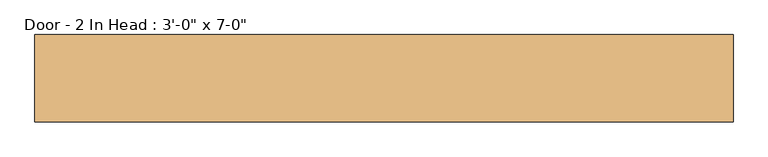
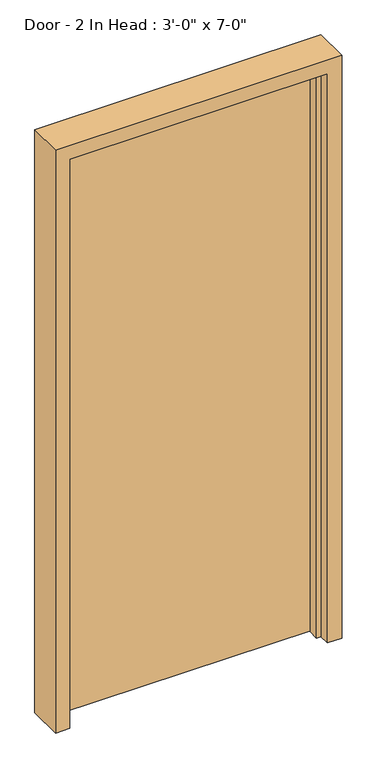
"""IFC4 building model written with IfcOpenShell, lengths in millimetres: door geometry."""

import ifcopenshell
import ifcopenshell.guid

model = None  # the IFC model being written
_history = None  # IfcOwnerHistory: only IFC2X3 demands one
_inside = {}  # id of a spatial element -> (the spatial element, [elements in it])
_under = {}  # id of a project, library or spatial element -> (it, [spatial elements below it])
_declared = {}  # id of a project -> (the project, [libraries it declares])
_typed = {}  # id of a type object -> (the type object, [elements of that type])
_made_of = {}  # id of a material, layer set ... -> (it, [elements and type objects made of it])


def new_model(schema):
    """Start an empty IFC model of exactly this schema.

    Asked for "IFC4X3", IfcOpenShell would pick the latest addendum, in which some entities
    have other attributes; the version numbers below select the first issue.
    IFC2X3 requires an IfcOwnerHistory on every rooted entity: one is made here for all.
    """
    global model, _history
    if schema == "IFC4X3":
        model = ifcopenshell.file(schema_version=(4, 3, 0, 0))
    else:
        model = ifcopenshell.file(schema=schema)
    _inside.clear()
    _under.clear()
    _declared.clear()
    _typed.clear()
    _made_of.clear()
    _history = None
    if model.schema == "IFC2X3":
        org = make("IfcOrganization", Name="unknown")
        user = make(
            "IfcPersonAndOrganization",
            ThePerson=make("IfcPerson", FamilyName="unknown"),
            TheOrganization=org,
        )
        app = make(
            "IfcApplication",
            ApplicationDeveloper=org,
            Version="unknown",
            ApplicationFullName="unknown",
            ApplicationIdentifier="unknown",
        )
        _history = make(
            "IfcOwnerHistory",
            OwningUser=user,
            OwningApplication=app,
            ChangeAction="ADDED",
            CreationDate=0,
        )
    return model


def make(cls, **values):
    """One entity of the class cls with the attributes given. An attribute that is None is left unset."""
    return model.create_entity(
        cls, **{name: value for name, value in values.items() if value is not None}
    )


def rooted(cls, **values):
    """An entity with a GlobalId (a new one), such as an element, a storey or a relation."""
    return make(cls, GlobalId=ifcopenshell.guid.new(), OwnerHistory=_history, **values)


def si_unit(unit_type, name, prefix=None):
    """IfcSIUnit, for example si_unit("LENGTHUNIT", "METRE", prefix="MILLI")."""
    return make("IfcSIUnit", UnitType=unit_type, Prefix=prefix, Name=name)


def assignment(units):
    """IfcUnitAssignment: the units of a project."""
    return None if units is None else make("IfcUnitAssignment", Units=units)


def point(xyz):
    """IfcCartesianPoint."""
    return None if xyz is None else make("IfcCartesianPoint", Coordinates=xyz)


def direction(xyz):
    """IfcDirection."""
    return None if xyz is None else make("IfcDirection", DirectionRatios=xyz)


def frame(location, z_axis=None, x_axis=None):
    """IfcAxis2Placement3D, a coordinate frame: its origin and axes. An axis left out is left unset."""
    return make(
        "IfcAxis2Placement3D",
        Location=point(location),
        Axis=direction(z_axis),
        RefDirection=direction(x_axis),
    )


def origin():
    """The frame at (0, 0, 0) with its axes left unset."""
    return frame((0.0, 0.0, 0.0))


def origin_with_axes():
    """The frame at (0, 0, 0) with the z axis (0, 0, 1) and the x axis (1, 0, 0) written out."""
    return frame((0.0, 0.0, 0.0), z_axis=(0.0, 0.0, 1.0), x_axis=(1.0, 0.0, 0.0))


def place(relative_to, where):
    """IfcLocalPlacement: puts the frame where relative to a parent placement (None: the world)."""
    return make(
        "IfcLocalPlacement", PlacementRelTo=relative_to, RelativePlacement=where
    )


def context(
    kind, dimensions, precision=None, world=None, true_north=None, identifier=None
):
    """IfcGeometricRepresentationContext, for example the 3D "Model" context."""
    return make(
        "IfcGeometricRepresentationContext",
        ContextIdentifier=identifier,
        ContextType=kind,
        CoordinateSpaceDimension=dimensions,
        Precision=precision,
        WorldCoordinateSystem=world,
        TrueNorth=true_north,
    )


def project(units=None, contexts=None):
    """IfcProject with its units and contexts."""
    return rooted(
        "IfcProject",
        Name="project",
        RepresentationContexts=contexts,
        UnitsInContext=assignment(units),
    )


def spatial(cls, under=None, at=None, **own):
    """A site, building, storey or space (cls), placed at a placement, below another one or the project."""
    s = rooted(cls, ObjectPlacement=at, **own)
    if under is not None:
        _under.setdefault(under.id(), (under, []))[1].append(s)
    return s


def polyline(points):
    """IfcPolyline through the points."""
    return make("IfcPolyline", Points=[point(p) for p in points])


def outline(outer, holes=None, kind="AREA"):
    """IfcArbitraryClosedProfileDef: a profile drawn as a closed curve; with holes, ...WithVoids."""
    if holes is None:
        return make("IfcArbitraryClosedProfileDef", ProfileType=kind, OuterCurve=outer)
    return make(
        "IfcArbitraryProfileDefWithVoids",
        ProfileType=kind,
        OuterCurve=outer,
        InnerCurves=holes,
    )


def extrude(swept, where, along, depth):
    """IfcExtrudedAreaSolid: the profile swept, set in the frame where, extruded along a direction by depth."""
    return make(
        "IfcExtrudedAreaSolid",
        SweptArea=swept,
        Position=where,
        ExtrudedDirection=direction(along),
        Depth=depth,
    )


def faces_of(points, faces, orient=None, outer=None):
    """IfcFace entities. A face is a list of loops; a loop is a list of indices into points, from 0.

    orient and outer hold one flag for each loop. By default every Orientation is true, the
    first loop of a face is its IfcFaceOuterBound and the others are IfcFaceBound.
    """
    made = []
    for i, loops in enumerate(faces):
        bounds = []
        for j, loop in enumerate(loops):
            is_outer = j == 0 if outer is None else outer[i][j]
            bounds.append(
                make(
                    "IfcFaceOuterBound" if is_outer else "IfcFaceBound",
                    Bound=make("IfcPolyLoop", Polygon=[points[k] for k in loop]),
                    Orientation=True if orient is None else orient[i][j],
                )
            )
        made.append(make("IfcFace", Bounds=bounds))
    return made


def faceted_brep(points, faces, orient=None, outer=None, voids=None):
    """IfcFacetedBrep: a solid bounded by flat faces; with voids (closed shells), ...WithVoids."""
    shared = [point(p) for p in points]
    hull = make("IfcClosedShell", CfsFaces=faces_of(shared, faces, orient, outer))
    if voids is None:
        return make("IfcFacetedBrep", Outer=hull)
    return make(
        "IfcFacetedBrepWithVoids",
        Outer=hull,
        Voids=[
            make(cls, CfsFaces=faces_of(shared, fs, o, b)) for cls, fs, o, b in voids
        ],
    )


def shape(context_of_items, identifier, shape_type, items):
    """IfcShapeRepresentation: the items that make up one representation, for example the "Body"."""
    return make(
        "IfcShapeRepresentation",
        ContextOfItems=context_of_items,
        RepresentationIdentifier=identifier,
        RepresentationType=shape_type,
        Items=items,
    )


def source(mapping_origin, context_of_items, identifier, shape_type, items):
    """IfcRepresentationMap: a shape defined once, which mapped items show again and again."""
    return make(
        "IfcRepresentationMap",
        MappingOrigin=mapping_origin,
        MappedRepresentation=shape(context_of_items, identifier, shape_type, items),
    )


def transform(
    local_origin,
    x_axis=None,
    y_axis=None,
    z_axis=None,
    scale=None,
    scale2=None,
    scale3=None,
    uniform=True,
):
    """IfcCartesianTransformationOperator3D, or its non-uniform kind. x_axis, y_axis, z_axis: its Axis1, 2, 3."""
    if uniform:
        return make(
            "IfcCartesianTransformationOperator3D",
            Axis1=direction(x_axis),
            Axis2=direction(y_axis),
            LocalOrigin=point(local_origin),
            Scale=scale,
            Axis3=direction(z_axis),
        )
    return make(
        "IfcCartesianTransformationOperator3DnonUniform",
        Axis1=direction(x_axis),
        Axis2=direction(y_axis),
        LocalOrigin=point(local_origin),
        Scale=scale,
        Axis3=direction(z_axis),
        Scale2=scale2,
        Scale3=scale3,
    )


def mapped(mapping_source, mapping_target):
    """IfcMappedItem: shows the shape of a source again, moved by a transform."""
    return make(
        "IfcMappedItem", MappingSource=mapping_source, MappingTarget=mapping_target
    )


def made_of(thing, what):
    """Note that an element or type object is made of a material, layer set ...; save() writes the relation."""
    if what is not None:
        _made_of.setdefault(what.id(), (what, []))[1].append(thing)
    return thing


def element(
    cls,
    number,
    at=None,
    inside=None,
    cuts=None,
    type_object=None,
    material=None,
    context=None,
    identifier="Body",
    shape_type=None,
    held_by="IfcProductDefinitionShape",
    body=None,
    shapes=None,
    **own,
):
    """One element of the class cls, such as IfcWall. Its Tag is "e" and its number.

    at: its placement. inside: the storey or other place that contains it. cuts: it is an
    opening in that element (IfcRelVoidsElement). A single representation is given by context,
    identifier, shape_type and body (its items); several are given by shapes. held_by: the class
    of the entity that holds the representations. save() writes the other relations.
    """
    e = rooted(cls, Tag="e%d" % number, ObjectPlacement=at, **own)
    if body is not None:
        shapes = [shape(context, identifier, shape_type, body)]
    if shapes is not None:
        e.Representation = make(held_by, Representations=shapes)
    if inside is not None:
        _inside.setdefault(inside.id(), (inside, []))[1].append(e)
    if cuts is not None:
        rooted(
            "IfcRelVoidsElement", RelatingBuildingElement=cuts, RelatedOpeningElement=e
        )
    if type_object is not None:
        _typed.setdefault(type_object.id(), (type_object, []))[1].append(e)
    return made_of(e, material)


def aggregate(whole, parts):
    """IfcRelAggregates: a whole, such as a stair, and the parts it consists of."""
    return rooted("IfcRelAggregates", RelatingObject=whole, RelatedObjects=parts)


def save(model, path):
    """Write the relations noted so far, then the file.

    IfcRelAggregates (storeys below a building ...), IfcRelContainedInSpatialStructure (elements
    in a storey), IfcRelDefinesByType, IfcRelAssociatesMaterial and IfcRelDeclares: one each for
    every whole, place, type object, material and project.
    """
    for whole, parts in _under.values():
        aggregate(whole, parts)
    for where, things in _inside.values():
        rooted(
            "IfcRelContainedInSpatialStructure",
            RelatedElements=things,
            RelatingStructure=where,
        )
    for kind, things in _typed.values():
        rooted("IfcRelDefinesByType", RelatedObjects=things, RelatingType=kind)
    for what, things in _made_of.values():
        rooted("IfcRelAssociatesMaterial", RelatedObjects=things, RelatingMaterial=what)
    for by, libraries in _declared.values():
        rooted("IfcRelDeclares", RelatingContext=by, RelatedDefinitions=libraries)
    model.write(path)


def door_86e6837d(model_context):
    return source(origin(), model_context, "Body", "SolidModel", [
        extrude(outline(polyline([(457.2, 76.2), (457.2, 31.75), (-457.2, 31.75), (-457.2, 76.2), (457.2, 76.2)])), origin_with_axes(), (0.0, 0.0, 1.0), 2133.6),
        faceted_brep([(-457.2, -50.8, 0.0), (-508.0, -50.8, 0.0), (-508.0, 76.2, 0.0), (-457.2, 76.2, 0.0), (-457.2, 26.9875, 0.0), (-441.325, 26.9875, 0.0), (-441.325, -11.1125, 0.0), (-457.2, -11.1125, 0.0), (-457.2, -50.8, 2133.6), (457.2, -50.8, 2133.6), (457.2, -50.8, 0.0), (508.0, -50.8, 0.0), (508.0, -50.8, 2184.4), (-508.0, -50.8, 2184.4), (-508.0, 76.2, 2184.4), (508.0, 76.2, 2184.4), (508.0, 76.2, 0.0), (457.2, 76.2, 0.0), (457.2, 76.2, 2133.6), (-457.2, 76.2, 2133.6), (-457.2, 26.9875, 2133.6), (457.2, 26.9875, 2133.6), (457.2, 26.9875, 0.0), (441.325, 26.9875, 0.0), (441.325, 26.9875, 2117.725), (-441.325, 26.9875, 2117.725), (-441.325, -11.1125, 2117.725), (441.325, -11.1125, 2117.725), (441.325, -11.1125, 0.0), (457.2, -11.1125, 0.0), (457.2, -11.1125, 2133.6), (-457.2, -11.1125, 2133.6)], [[[0, 1, 2, 3, 4, 5, 6, 7]], [[1, 0, 8, 9, 10, 11, 12, 13]], [[2, 1, 13, 14]], [[3, 2, 14, 15, 16, 17, 18, 19]], [[4, 3, 19, 20]], [[5, 4, 20, 21, 22, 23, 24, 25]], [[6, 5, 25, 26]], [[7, 6, 26, 27, 28, 29, 30, 31]], [[0, 7, 31, 8]], [[14, 13, 12, 15]], [[20, 19, 18, 21]], [[26, 25, 24, 27]], [[8, 31, 30, 9]], [[10, 29, 28, 23, 22, 17, 16, 11]], [[15, 12, 11, 16]], [[21, 18, 17, 22]], [[27, 24, 23, 28]], [[9, 30, 29, 10]]]),
    ])


if __name__ == "__main__":
    model = new_model("IFC4")
    model_context = context("Model", 3, world=origin())
    ifc_project = project(units=[si_unit("LENGTHUNIT", "METRE", prefix="MILLI")], contexts=[model_context])
    site = spatial("IfcSite", under=ifc_project)
    building = spatial("IfcBuilding", under=site)
    placement = place(None, origin())
    door_shape = door_86e6837d(model_context)
    element("IfcDoor", 1, ObjectType="Door - 2 In Head : 3'-0\" x 7-0\"", at=placement, inside=building, context=model_context, shape_type="MappedRepresentation", body=[
        mapped(door_shape, transform((0.0, 0.0, 0.0), x_axis=(1.0, 0.0, 0.0), y_axis=(0.0, 1.0, 0.0), z_axis=(0.0, 0.0, 1.0))),
    ])
    save(model, "model.ifc")
